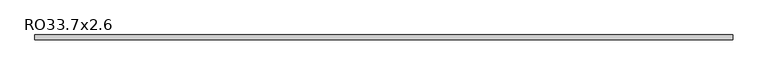
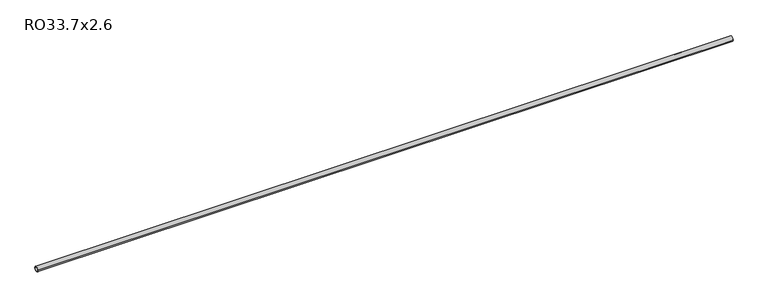
"""IFC4 building model written with IfcOpenShell, lengths in millimetres: beam geometry, RO33.7x2.6."""

from ifc_helpers import new_model, si_unit, point, frame, origin, origin_2d, place, context, project, spatial, circle_curve, trimmed, segment, composite_curve, outline, extrude, source, transform, mapped, element, save


def ro33_7x2_6_fa9fe658(model_context):
    return source(origin(), model_context, "Body", "SweptSolid", [
        extrude(outline(composite_curve([segment(trimmed(circle_curve(origin_2d(), 16.85), [point((16.85, 0.0))], [point((-16.85, 0.0))], False, "CARTESIAN"), True, "CONTINUOUS"), segment(trimmed(circle_curve(origin_2d(), 16.85), [point((-16.85, 0.0))], [point((16.85, 0.0))], False, "CARTESIAN"), True, "CONTINUOUS")], self_intersect=False), holes=[composite_curve([segment(trimmed(circle_curve(origin_2d(), 14.25), [point((-14.25, 0.0))], [point((14.25, 0.0))], True, "CARTESIAN"), True, "CONTINUOUS"), segment(trimmed(circle_curve(origin_2d(), 14.25), [point((14.25, 0.0))], [point((-14.25, 0.0))], True, "CARTESIAN"), True, "CONTINUOUS")], self_intersect=False)]), frame((-2360.95, 0.0, 0.0), z_axis=(1.0, 0.0, 0.0), x_axis=(0.0, 1.0, 0.0)), (0.0, 0.0, 1.0), 4752.8),
    ])


if __name__ == "__main__":
    model = new_model("IFC4")
    model_context = context("Model", 3, world=origin())
    ifc_project = project(units=[si_unit("LENGTHUNIT", "METRE", prefix="MILLI")], contexts=[model_context])
    site = spatial("IfcSite", under=ifc_project)
    building = spatial("IfcBuilding", under=site)
    placement = place(None, origin())
    ro33_7x2_6_shape = ro33_7x2_6_fa9fe658(model_context)
    element("IfcBeam", 1, ObjectType="RO33.7x2.6", at=placement, inside=building, context=model_context, shape_type="MappedRepresentation", body=[
        mapped(ro33_7x2_6_shape, transform((0.0, 0.0, 0.0), x_axis=(1.0, 0.0, 0.0), y_axis=(0.0, 1.0, 0.0), z_axis=(0.0, 0.0, 1.0))),
    ])
    save(model, "model.ifc")
